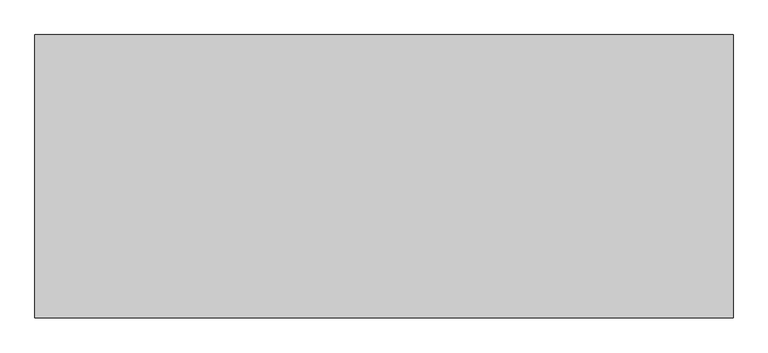
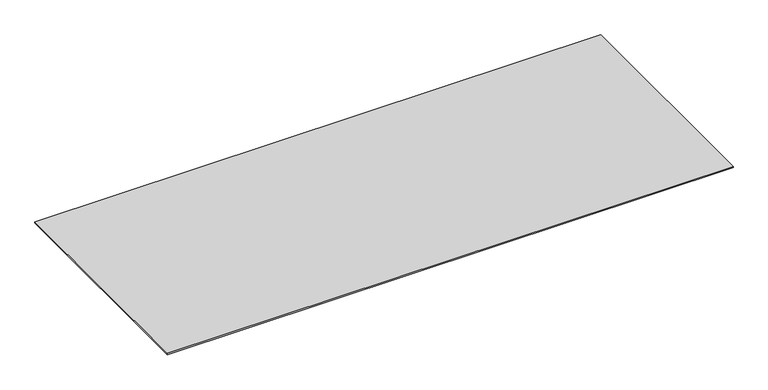
"""IFC4 building model written with IfcOpenShell, lengths in millimetres: proxy geometry."""

from ifc_helpers import new_model, si_unit, origin, origin_with_axes, place, context, project, spatial, polyline, outline, extrude, source, transform, mapped, element, save


def specialty_equipment_014a9606(model_context):
    return source(origin(), model_context, "Body", "SweptSolid", [
        extrude(outline(polyline([(1540.0, -290.0), (1540.0, -1540.0), (-1540.0, -1540.0), (-1540.0, -290.0), (1540.0, -290.0)])), origin_with_axes(), (0.0, 0.0, 1.0), 7.0),
    ])


if __name__ == "__main__":
    model = new_model("IFC4")
    model_context = context("Model", 3, world=origin())
    ifc_project = project(units=[si_unit("LENGTHUNIT", "METRE", prefix="MILLI")], contexts=[model_context])
    site = spatial("IfcSite", under=ifc_project)
    building = spatial("IfcBuilding", under=site)
    placement = place(None, origin())
    specialty_equipment_shape = specialty_equipment_014a9606(model_context)
    element("IfcBuildingElementProxy", 1, Name="Specialty Equipment", at=placement, inside=building, context=model_context, shape_type="MappedRepresentation", body=[
        mapped(specialty_equipment_shape, transform((0.0, 0.0, 0.0), x_axis=(1.0, 0.0, 0.0), y_axis=(0.0, 1.0, 0.0), z_axis=(0.0, 0.0, 1.0))),
    ])
    save(model, "model.ifc")
